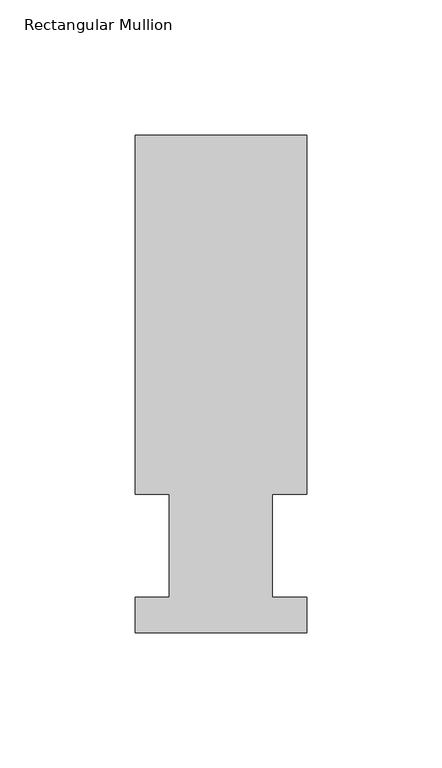
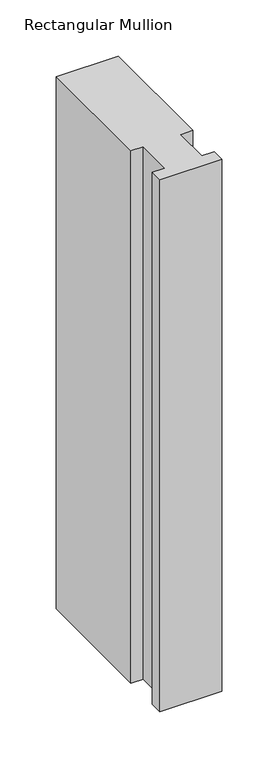
"""IFC4 building model written with IfcOpenShell, lengths in millimetres: member geometry, Rectangular Mullion."""

from ifc_helpers import new_model, si_unit, frame, origin, place, context, project, spatial, polyline, outline, extrude, source, transform, mapped, element, save


def rectangular_mullion_f6f57018(model_context):
    return source(origin(), model_context, "Body", "SweptSolid", [
        extrude(outline(polyline([(0.0, 184.2396937), (0.0, 51.2960938), (-12.6873001, 51.2960938), (-12.6873001, 13.1960938), (0.0, 13.1960938), (0.0, 0.0134938), (-63.5000001, 0.0134938), (-63.5000001, 13.1960938), (-50.8127001, 13.1960938), (-50.8127001, 51.2960938), (-63.5127, 51.2960938), (-63.5127, 184.2396938), (0.0, 184.2396937)])), frame((0.0, 0.0, -577.85), z_axis=(0.0, 0.0, 1.0), x_axis=(1.0, 0.0, 0.0)), (0.0, 0.0, 1.0), 577.85),
    ])


if __name__ == "__main__":
    model = new_model("IFC4")
    model_context = context("Model", 3, world=origin())
    ifc_project = project(units=[si_unit("LENGTHUNIT", "METRE", prefix="MILLI")], contexts=[model_context])
    site = spatial("IfcSite", under=ifc_project)
    building = spatial("IfcBuilding", under=site)
    placement = place(None, origin())
    rectangular_mullion_shape = rectangular_mullion_f6f57018(model_context)
    element("IfcMember", 1, ObjectType="Rectangular Mullion", at=placement, inside=building, context=model_context, shape_type="MappedRepresentation", body=[
        mapped(rectangular_mullion_shape, transform((0.0, 0.0, 0.0), x_axis=(1.0, 0.0, 0.0), y_axis=(0.0, 1.0, 0.0), z_axis=(0.0, 0.0, 1.0))),
    ])
    save(model, "model.ifc")
